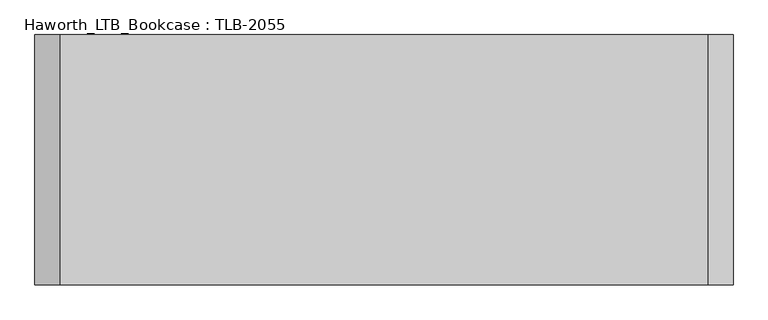
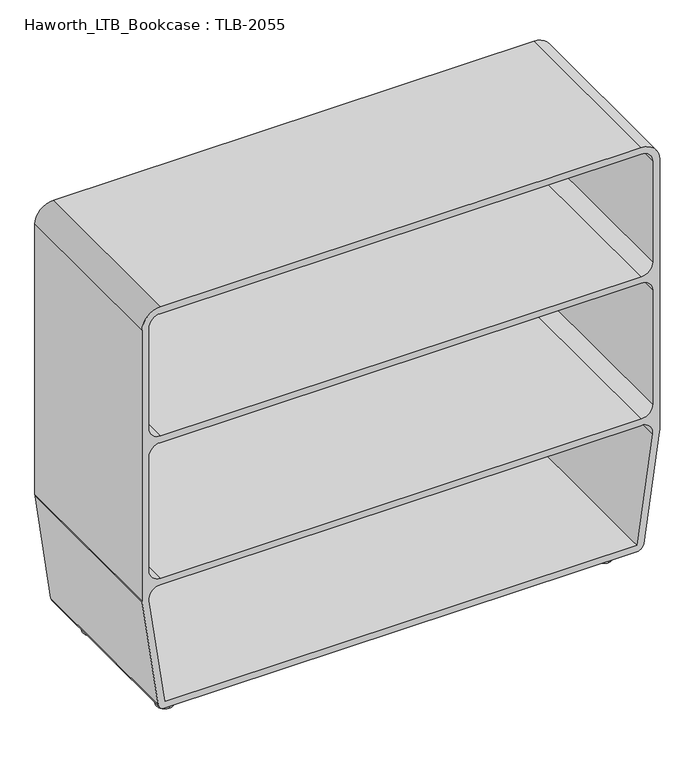
"""IFC4 building model written with IfcOpenShell, lengths in millimetres: furniture geometry, Haworth_LTB_Bookcase : TLB-2055."""

from ifc_helpers import new_model, si_unit, point, frame, frame_2d, origin, place, context, project, spatial, polyline, circle_curve, ellipse_curve, trimmed, segment, composite_curve, outline, extrude, source, transform, mapped, element, save
from ifc_brep_helpers import plane_surface, cylinder_surface, revolved_surface, advanced_brep


def haworth_ltb_bookcase_tlb_2055_cbb1a1f6(model_context):
    return source(origin(), model_context, "Body", "SolidModel", [
        extrude(outline(composite_curve([segment(polyline([(378.5522867, 723.1762804), (1149.1720837, 723.1762804)]), True, "CONTINUOUS"), segment(trimmed(circle_curve(frame_2d((1149.1720837, 672.3762804)), 50.8), [point((1149.1720837, 723.1762804))], [point((1199.9720837, 672.3762804))], False, "CARTESIAN"), True, "CONTINUOUS"), segment(polyline([(1199.9720837, 672.3762804), (1199.9720837, -625.5861298)]), True, "CONTINUOUS"), segment(trimmed(circle_curve(frame_2d((1149.1720837, -625.5861298)), 50.8), [point((1199.9720837, -625.5861298))], [point((1149.1720837, -676.3861298))], False, "CARTESIAN"), True, "CONTINUOUS"), segment(polyline([(1149.1720837, -676.3861298), (378.5522867, -676.3861298)]), True, "CONTINUOUS"), segment(trimmed(circle_curve(frame_2d((378.5522867, -625.5861298)), 50.8), [point((378.5522867, -676.3861298))], [point((371.4822896, -675.8917472))], False, "CARTESIAN"), True, "CONTINUOUS"), segment(polyline([(371.4822896, -675.8917472), (66.3557108, -633.008981)]), True, "CONTINUOUS"), segment(trimmed(circle_curve(frame_2d((69.0000012, -614.1938871)), 19.0000008), [point((66.3557108, -633.008981))], [point((50.0000004, -614.1938871))], False, "CARTESIAN"), True, "CONTINUOUS"), segment(polyline([(50.0000004, -614.1938871), (50.0000004, 660.9840376)]), True, "CONTINUOUS"), segment(trimmed(circle_curve(frame_2d((69.0000012, 660.9840376)), 19.0000008), [point((50.0000004, 660.9840376))], [point((66.3557108, 679.7991315))], False, "CARTESIAN"), True, "CONTINUOUS"), segment(polyline([(66.3557108, 679.7991315), (371.4822896, 722.6818978)]), True, "CONTINUOUS"), segment(trimmed(circle_curve(frame_2d((378.5522867, 672.3762804)), 50.8), [point((371.4822896, 722.6818978))], [point((378.5522867, 723.1762804))], False, "CARTESIAN"), True, "CONTINUOUS")], self_intersect=False), holes=[composite_curve([segment(polyline([(68.9999989, -614.1938504), (371.6028901, -656.7220063)]), True, "CONTINUOUS"), segment(trimmed(circle_curve(frame_2d((375.8055807, -626.8183745)), 30.1975132), [point((371.6028901, -656.7220063))], [point((406.0000002, -626.3861295))], True, "CARTESIAN"), True, "CONTINUOUS"), segment(polyline([(406.0000002, -626.3861295), (406.0000002, 673.17628)]), True, "CONTINUOUS"), segment(trimmed(circle_curve(frame_2d((375.8055807, 673.608525)), 30.1975132), [point((406.0000002, 673.17628))], [point((371.6028901, 703.5121569))], True, "CARTESIAN"), True, "CONTINUOUS"), segment(polyline([(371.6028901, 703.5121569), (68.9999989, 660.9840009), (68.9999989, -614.1938504)]), True, "CONTINUOUS")], self_intersect=False), composite_curve([segment(trimmed(circle_curve(frame_2d((455.9880827, -626.3480504)), 30.9880795), [point((425.0000032, -626.3480504))], [point((455.9880827, -657.3361298))], True, "CARTESIAN"), True, "CONTINUOUS"), segment(polyline([(455.9880827, -657.3361298), (782.4644563, -657.3361297)]), True, "CONTINUOUS"), segment(trimmed(circle_curve(frame_2d((782.4644563, -627.5163329)), 29.8197969), [point((782.4644563, -657.3361297))], [point((812.2628276, -626.3861295))], True, "CARTESIAN"), True, "CONTINUOUS"), segment(polyline([(812.2628276, -626.3861295), (812.2628276, 673.17628)]), True, "CONTINUOUS"), segment(trimmed(circle_curve(frame_2d((782.4644563, 674.3064835)), 29.8197969), [point((812.2628276, 673.17628))], [point((782.4619051, 704.1262803))], True, "CARTESIAN"), True, "CONTINUOUS"), segment(polyline([(782.4619051, 704.1262803), (455.985434, 704.1262803)]), True, "CONTINUOUS"), segment(trimmed(circle_curve(frame_2d((455.9880827, 673.1382009)), 30.9880795), [point((455.985434, 704.1262803))], [point((425.0000032, 673.1382009))], True, "CARTESIAN"), True, "CONTINUOUS"), segment(polyline([(425.0000032, 673.1382009), (425.0000032, -626.3480504)]), True, "CONTINUOUS")], self_intersect=False), composite_curve([segment(trimmed(circle_curve(frame_2d((862.2509101, -626.3480504)), 30.9880795), [point((831.2628306, -626.3480504))], [point((862.2509101, -657.3361298))], True, "CARTESIAN"), True, "CONTINUOUS"), segment(polyline([(862.2509101, -657.3361298), (1149.9658337, -657.3361298)]), True, "CONTINUOUS"), segment(trimmed(circle_curve(frame_2d((1149.9658337, -626.3798798)), 30.95625), [point((1149.9658337, -657.3361298))], [point((1180.9220837, -626.3798798))], True, "CARTESIAN"), True, "CONTINUOUS"), segment(polyline([(1180.9220837, -626.3798798), (1180.9220837, 673.1700304)]), True, "CONTINUOUS"), segment(trimmed(circle_curve(frame_2d((1149.9658337, 673.1700304)), 30.95625), [point((1180.9220837, 673.1700304))], [point((1149.9658337, 704.1262804))], True, "CARTESIAN"), True, "CONTINUOUS"), segment(polyline([(1149.9658337, 704.1262804), (862.2509101, 704.1262804)]), True, "CONTINUOUS"), segment(trimmed(circle_curve(frame_2d((862.2509101, 673.1382009)), 30.9880795), [point((862.2509101, 704.1262804))], [point((831.2628306, 673.1382009))], True, "CARTESIAN"), True, "CONTINUOUS"), segment(polyline([(831.2628306, 673.1382009), (831.2628306, -626.3480504)]), True, "CONTINUOUS")], self_intersect=False)]), frame((0.0, -282.971875, 0.0), z_axis=(0.0, 1.0, 0.0), x_axis=(0.0, 0.0, 1.0)), (0.0, 0.0, 1.0), 501.65),
        extrude(outline(composite_curve([segment(polyline([(44.8699992, 660.9840009), (50.0293742, 660.9840379), (50.0293742, 645.7440881)]), True, "CONTINUOUS"), segment(trimmed(circle_curve(frame_2d((34.7100089, 645.7440881)), 15.3193653), [point((50.0293742, 645.7440881))], [point((34.7100089, 630.4247228))], False, "CARTESIAN"), True, "CONTINUOUS"), segment(polyline([(34.7100089, 630.4247228), (30.2649995, 630.4247228)]), True, "CONTINUOUS"), segment(trimmed(circle_curve(frame_2d((30.2649995, 620.3440987)), 10.0806241), [point((30.2649995, 630.4247228))], [point((20.1843754, 620.3440987))], True, "CARTESIAN"), True, "CONTINUOUS"), segment(polyline([(20.1843754, 620.3440987), (20.1843754, 611.6238734)]), True, "CONTINUOUS"), segment(trimmed(circle_curve(frame_2d((30.2649995, 611.6238734)), 10.0806241), [point((20.1843754, 611.6238734))], [point((30.2649995, 601.5432493))], True, "CARTESIAN"), True, "CONTINUOUS"), segment(polyline([(30.2649995, 601.5432493), (34.7100089, 601.5432493)]), True, "CONTINUOUS"), segment(trimmed(circle_curve(frame_2d((34.7100089, 586.223884)), 15.3193653), [point((34.7100089, 601.5432493))], [point((50.0293742, 586.223884))], False, "CARTESIAN"), True, "CONTINUOUS"), segment(polyline([(50.0293742, 586.223884), (50.0293742, 570.9839343), (44.8699992, 570.9839712), (44.8699992, 586.223884)]), True, "CONTINUOUS"), segment(trimmed(circle_curve(frame_2d((34.7100089, 586.223884)), 10.1599903), [point((44.8699992, 586.223884))], [point((34.7100089, 596.3838743))], True, "CARTESIAN"), True, "CONTINUOUS"), segment(polyline([(34.7100089, 596.3838743), (30.2649995, 596.3838743)]), True, "CONTINUOUS"), segment(trimmed(circle_curve(frame_2d((30.2649995, 611.6238734)), 15.2399991), [point((30.2649995, 596.3838743))], [point((15.0250004, 611.6238734))], False, "CARTESIAN"), True, "CONTINUOUS"), segment(polyline([(15.0250004, 611.6238734), (15.0250004, 620.3440987)]), True, "CONTINUOUS"), segment(trimmed(circle_curve(frame_2d((30.2649995, 620.3440987)), 15.2399991), [point((15.0250004, 620.3440987))], [point((30.2649995, 635.5840978))], False, "CARTESIAN"), True, "CONTINUOUS"), segment(polyline([(30.2649995, 635.5840978), (34.7100089, 635.5840978)]), True, "CONTINUOUS"), segment(trimmed(circle_curve(frame_2d((34.7100089, 645.7440881)), 10.1599903), [point((34.7100089, 635.5840978))], [point((44.8699992, 645.7440881))], True, "CARTESIAN"), True, "CONTINUOUS"), segment(polyline([(44.8699992, 645.7440881), (44.8699992, 660.9840009)]), True, "CONTINUOUS")], self_intersect=False)), frame((0.0, 114.6577718, 0.0), z_axis=(0.0, 1.0, 0.0), x_axis=(0.0, 0.0, 1.0)), (0.0, 0.0, 1.0), 50.0000004),
        advanced_brep(
        [(615.9839861, 134.9015284, 7.8133431), (615.9839861, 144.4265284, 7.8133431), (615.9839861, 147.6605515, 7.8133431), (615.9839861, 131.6675052, 7.8133431), (615.9839861, 161.6029054, 4.0775), (615.9839861, 117.7251513, 4.0775), (615.9839861, 161.1923542, 0.0), (615.9839861, 118.1357026, 0.0), (615.9839861, 139.6640284, 0.0), (615.9839861, 139.6640284, 50.0000004), (615.9839861, 144.4265284, 50.0000004), (615.9839861, 134.9015284, 50.0000004)],
        [
            (0, 1, circle_curve(frame((615.9839861, 139.6640284, 7.8133431), z_axis=(0.0, 0.0, -1.0), x_axis=(0.0, 1.0, 0.0)), 4.7625)),
            (1, 2),
            (2, 3, circle_curve(frame((615.9839861, 139.6640284, 7.8133431), z_axis=(0.0, 0.0, 1.0), x_axis=(0.0, 1.0, 0.0)), 7.9965232)),
            (3, 0),
            (1, 0, circle_curve(frame((615.9839861, 139.6640284, 7.8133431), z_axis=(0.0, 0.0, -1.0), x_axis=(0.0, 1.0, 0.0)), 4.7625)),
            (3, 2, circle_curve(frame((615.9839861, 139.6640284, 7.8133431), z_axis=(0.0, 0.0, 1.0), x_axis=(0.0, 1.0, 0.0)), 7.9965232)),
            (2, 4),
            (4, 5, circle_curve(frame((615.9839861, 139.6640284, 4.0775), z_axis=(0.0, 0.0, 1.0), x_axis=(0.0, 1.0, 0.0)), 21.9388771)),
            (5, 3),
            (5, 4, circle_curve(frame((615.9839861, 139.6640284, 4.0775), z_axis=(0.0, 0.0, 1.0), x_axis=(0.0, 1.0, 0.0)), 21.9388771)),
            (4, 6, circle_curve(frame((615.9839861, 161.0655822, 2.0721829), z_axis=(-1.0, 0.0, 0.0), x_axis=(0.0, -1.0, 0.0)), 2.0760571)),
            (6, 7, circle_curve(frame((615.9839861, 139.6640284, 0.0), z_axis=(0.0, 0.0, 1.0), x_axis=(0.0, 1.0, 0.0)), 21.5283258)),
            (7, 5, circle_curve(frame((615.9839861, 118.2624745, 2.0721829), z_axis=(-1.0, 0.0, 0.0), x_axis=(0.0, 1.0, 0.0)), 2.0760571)),
            (7, 6, circle_curve(frame((615.9839861, 139.6640284, 0.0), z_axis=(0.0, 0.0, 1.0), x_axis=(0.0, 1.0, 0.0)), 21.5283258)),
            (6, 8),
            (8, 7),
            (9, 10),
            (10, 11, circle_curve(frame((615.9839861, 139.6640284, 50.0000004), z_axis=(0.0, 0.0, 1.0), x_axis=(0.0, 1.0, 0.0)), 4.7625)),
            (11, 9),
            (11, 10, circle_curve(frame((615.9839861, 139.6640284, 50.0000004), z_axis=(0.0, 0.0, 1.0), x_axis=(0.0, 1.0, 0.0)), 4.7625)),
            (10, 1),
            (0, 11),
        ],
        [
            plane_surface(frame((615.9839861, 139.6640284, 7.8133431), z_axis=(0.0, 0.0, 1.0), x_axis=(0.0, 1.0, 0.0))),
            revolved_surface(polyline([(615.9839861, 161.6029054, 4.0775), (615.9839861, 147.6605515, 7.8133431)]), (615.9839861, 139.6640284, 0.0), (0.0, 0.0, 1.0)),
            revolved_surface(trimmed(ellipse_curve(frame((615.9839861, 161.0655822, 2.0721829), z_axis=(1.0, 0.0, 0.0), x_axis=(0.0, -1.0, 0.0)), 2.0760571, 2.0760571), [point((615.9839861, 161.1923542, 0.0))], [point((615.9839861, 161.6029054, 4.0775))], True, "CARTESIAN"), (615.9839861, 139.6640284, 0.0), (0.0, 0.0, 1.0)),
            plane_surface(frame((615.9839861, 139.6640284, 0.0), z_axis=(0.0, 0.0, -1.0), x_axis=(0.0, 1.0, 0.0))),
            plane_surface(frame((615.9839861, 139.6640284, 50.0000004), z_axis=(0.0, 0.0, 1.0), x_axis=(0.0, 1.0, 0.0))),
            cylinder_surface(frame((615.9839861, 139.6640284, 0.0), z_axis=(0.0, 0.0, 1.0), x_axis=(0.0, 1.0, 0.0)), 4.7625),
        ],
        [
            (0, [[1, 2, 3, 4]]),
            (0, [[5, -4, 6, -2]]),
            (1, [[-3, 7, 8, 9]]),
            (1, [[-6, -9, 10, -7]]),
            (2, [[-8, 11, 12, 13]]),
            (2, [[-10, -13, 14, -11]]),
            (3, [[-12, 15, 16]]),
            (3, [[-14, -16, -15]]),
            (4, [[17, 18, 19]]),
            (4, [[-19, 20, -17]]),
            (5, [[-18, 21, -1, 22]]),
            (5, [[-20, -22, -5, -21]]),
        ],
    ),
        extrude(outline(composite_curve([segment(polyline([(44.8699992, 660.9840009), (50.0293742, 660.9840379), (50.0293742, 645.7440881)]), True, "CONTINUOUS"), segment(trimmed(circle_curve(frame_2d((34.7100089, 645.7440881)), 15.3193653), [point((50.0293742, 645.7440881))], [point((34.7100089, 630.4247228))], False, "CARTESIAN"), True, "CONTINUOUS"), segment(polyline([(34.7100089, 630.4247228), (30.2649995, 630.4247228)]), True, "CONTINUOUS"), segment(trimmed(circle_curve(frame_2d((30.2649995, 620.3440987)), 10.0806241), [point((30.2649995, 630.4247228))], [point((20.1843754, 620.3440987))], True, "CARTESIAN"), True, "CONTINUOUS"), segment(polyline([(20.1843754, 620.3440987), (20.1843754, 611.6238734)]), True, "CONTINUOUS"), segment(trimmed(circle_curve(frame_2d((30.2649995, 611.6238734)), 10.0806241), [point((20.1843754, 611.6238734))], [point((30.2649995, 601.5432493))], True, "CARTESIAN"), True, "CONTINUOUS"), segment(polyline([(30.2649995, 601.5432493), (34.7100089, 601.5432493)]), True, "CONTINUOUS"), segment(trimmed(circle_curve(frame_2d((34.7100089, 586.223884)), 15.3193653), [point((34.7100089, 601.5432493))], [point((50.0293742, 586.223884))], False, "CARTESIAN"), True, "CONTINUOUS"), segment(polyline([(50.0293742, 586.223884), (50.0293742, 570.9839343), (44.8699992, 570.9839712), (44.8699992, 586.223884)]), True, "CONTINUOUS"), segment(trimmed(circle_curve(frame_2d((34.7100089, 586.223884)), 10.1599903), [point((44.8699992, 586.223884))], [point((34.7100089, 596.3838743))], True, "CARTESIAN"), True, "CONTINUOUS"), segment(polyline([(34.7100089, 596.3838743), (30.2649995, 596.3838743)]), True, "CONTINUOUS"), segment(trimmed(circle_curve(frame_2d((30.2649995, 611.6238734)), 15.2399991), [point((30.2649995, 596.3838743))], [point((15.0250004, 611.6238734))], False, "CARTESIAN"), True, "CONTINUOUS"), segment(polyline([(15.0250004, 611.6238734), (15.0250004, 620.3440987)]), True, "CONTINUOUS"), segment(trimmed(circle_curve(frame_2d((30.2649995, 620.3440987)), 15.2399991), [point((15.0250004, 620.3440987))], [point((30.2649995, 635.5840978))], False, "CARTESIAN"), True, "CONTINUOUS"), segment(polyline([(30.2649995, 635.5840978), (34.7100089, 635.5840978)]), True, "CONTINUOUS"), segment(trimmed(circle_curve(frame_2d((34.7100089, 645.7440881)), 10.1599903), [point((34.7100089, 635.5840978))], [point((44.8699992, 645.7440881))], True, "CARTESIAN"), True, "CONTINUOUS"), segment(polyline([(44.8699992, 645.7440881), (44.8699992, 660.9840009)]), True, "CONTINUOUS")], self_intersect=False)), frame((0.0, -228.9515221, 0.0), z_axis=(0.0, 1.0, 0.0), x_axis=(0.0, 0.0, 1.0)), (0.0, 0.0, 1.0), 50.0000004),
        advanced_brep(
        [(615.9839861, -195.9612552, 7.8133431), (615.9839861, -211.9543015, 7.8133431), (615.9839861, -208.7202784, 7.8133431), (615.9839861, -199.1952784, 7.8133431), (615.9839861, -182.0189013, 4.0775), (615.9839861, -225.8966554, 4.0775), (615.9839861, -182.4294526, 0.0), (615.9839861, -225.4861042, 0.0), (615.9839861, -203.9577784, 0.0), (615.9839861, -199.1952784, 50.0000004), (615.9839861, -208.7202784, 50.0000004), (615.9839861, -203.9577784, 50.0000004)],
        [
            (0, 1, circle_curve(frame((615.9839861, -203.9577784, 7.8133431), z_axis=(0.0, 0.0, 1.0), x_axis=(0.0, -1.0, 0.0)), 7.9965232)),
            (1, 2),
            (2, 3, circle_curve(frame((615.9839861, -203.9577784, 7.8133431), z_axis=(0.0, 0.0, -1.0), x_axis=(0.0, -1.0, 0.0)), 4.7625)),
            (3, 0),
            (1, 0, circle_curve(frame((615.9839861, -203.9577784, 7.8133431), z_axis=(0.0, 0.0, 1.0), x_axis=(0.0, -1.0, 0.0)), 7.9965232)),
            (3, 2, circle_curve(frame((615.9839861, -203.9577784, 7.8133431), z_axis=(0.0, 0.0, -1.0), x_axis=(0.0, -1.0, 0.0)), 4.7625)),
            (4, 5, circle_curve(frame((615.9839861, -203.9577784, 4.0775), z_axis=(0.0, 0.0, 1.0), x_axis=(0.0, -1.0, 0.0)), 21.9388771)),
            (5, 1),
            (0, 4),
            (5, 4, circle_curve(frame((615.9839861, -203.9577784, 4.0775), z_axis=(0.0, 0.0, 1.0), x_axis=(0.0, -1.0, 0.0)), 21.9388771)),
            (6, 7, circle_curve(frame((615.9839861, -203.9577784, 0.0), z_axis=(0.0, 0.0, 1.0), x_axis=(0.0, -1.0, 0.0)), 21.5283258)),
            (7, 5, circle_curve(frame((615.9839861, -225.3593322, 2.0721829), z_axis=(-1.0, 0.0, 0.0), x_axis=(0.0, 1.0, 0.0)), 2.0760571)),
            (4, 6, circle_curve(frame((615.9839861, -182.5562245, 2.0721829), z_axis=(-1.0, 0.0, 0.0), x_axis=(0.0, -1.0, 0.0)), 2.0760571)),
            (7, 6, circle_curve(frame((615.9839861, -203.9577784, 0.0), z_axis=(0.0, 0.0, 1.0), x_axis=(0.0, -1.0, 0.0)), 21.5283258)),
            (8, 7),
            (6, 8),
            (9, 10, circle_curve(frame((615.9839861, -203.9577784, 50.0000004), z_axis=(0.0, 0.0, 1.0), x_axis=(0.0, -1.0, 0.0)), 4.7625)),
            (10, 11),
            (11, 9),
            (10, 9, circle_curve(frame((615.9839861, -203.9577784, 50.0000004), z_axis=(0.0, 0.0, 1.0), x_axis=(0.0, -1.0, 0.0)), 4.7625)),
            (2, 10),
            (9, 3),
        ],
        [
            plane_surface(frame((615.9839861, -203.9577784, 7.8133431), z_axis=(0.0, 0.0, 1.0), x_axis=(0.0, -1.0, 0.0))),
            revolved_surface(polyline([(615.9839861, -211.9543015, 7.8133431), (615.9839861, -225.8966554, 4.0775)]), (615.9839861, -203.9577784, 0.0), (0.0, 0.0, -1.0)),
            revolved_surface(trimmed(ellipse_curve(frame((615.9839861, -225.3593322, 2.0721829), z_axis=(1.0, 0.0, 0.0), x_axis=(0.0, 1.0, 0.0)), 2.0760571, 2.0760571), [point((615.9839861, -225.8966554, 4.0775))], [point((615.9839861, -225.4861042, 0.0))], True, "CARTESIAN"), (615.9839861, -203.9577784, 0.0), (0.0, 0.0, -1.0)),
            plane_surface(frame((615.9839861, -203.9577784, 0.0), z_axis=(0.0, 0.0, -1.0), x_axis=(0.0, -1.0, 0.0))),
            plane_surface(frame((615.9839861, -203.9577784, 50.0000004), z_axis=(0.0, 0.0, 1.0), x_axis=(0.0, -1.0, 0.0))),
            cylinder_surface(frame((615.9839861, -203.9577784, 0.0), z_axis=(0.0, 0.0, -1.0), x_axis=(0.0, -1.0, 0.0)), 4.7625),
        ],
        [
            (0, [[1, 2, 3, 4]]),
            (0, [[5, -4, 6, -2]]),
            (1, [[7, 8, -1, 9]]),
            (1, [[10, -9, -5, -8]]),
            (2, [[11, 12, -7, 13]]),
            (2, [[14, -13, -10, -12]]),
            (3, [[15, -11, 16]]),
            (3, [[-16, -14, -15]]),
            (4, [[17, 18, 19]]),
            (4, [[20, -19, -18]]),
            (5, [[-3, 21, -17, 22]]),
            (5, [[-6, -22, -20, -21]]),
        ],
    ),
        extrude(outline(composite_curve([segment(polyline([(44.8699992, -614.1938504), (44.8699992, -598.9539376)]), True, "CONTINUOUS"), segment(trimmed(circle_curve(frame_2d((34.7100089, -598.9539376)), 10.1599903), [point((44.8699992, -598.9539376))], [point((34.7100089, -588.7939473))], True, "CARTESIAN"), True, "CONTINUOUS"), segment(polyline([(34.7100089, -588.7939473), (30.2649995, -588.7939473)]), True, "CONTINUOUS"), segment(trimmed(circle_curve(frame_2d((30.2649995, -573.5539482)), 15.2399991), [point((30.2649995, -588.7939473))], [point((15.0250004, -573.5539482))], False, "CARTESIAN"), True, "CONTINUOUS"), segment(polyline([(15.0250004, -573.5539482), (15.0250004, -564.8337229)]), True, "CONTINUOUS"), segment(trimmed(circle_curve(frame_2d((30.2649995, -564.8337229)), 15.2399991), [point((15.0250004, -564.8337229))], [point((30.2649995, -549.5937238))], False, "CARTESIAN"), True, "CONTINUOUS"), segment(polyline([(30.2649995, -549.5937238), (34.7100089, -549.5937238)]), True, "CONTINUOUS"), segment(trimmed(circle_curve(frame_2d((34.7100089, -539.4337335)), 10.1599903), [point((34.7100089, -549.5937238))], [point((44.8699992, -539.4337335))], True, "CARTESIAN"), True, "CONTINUOUS"), segment(polyline([(44.8699992, -539.4337335), (44.8699992, -524.1938209), (50.0293742, -524.1937839), (50.0293742, -539.4337335)]), True, "CONTINUOUS"), segment(trimmed(circle_curve(frame_2d((34.7100089, -539.4337335)), 15.3193653), [point((50.0293742, -539.4337335))], [point((34.7100089, -554.7530988))], False, "CARTESIAN"), True, "CONTINUOUS"), segment(polyline([(34.7100089, -554.7530988), (30.2649995, -554.7530988)]), True, "CONTINUOUS"), segment(trimmed(circle_curve(frame_2d((30.2649995, -564.8337229)), 10.0806241), [point((30.2649995, -554.7530988))], [point((20.1843754, -564.8337229))], True, "CARTESIAN"), True, "CONTINUOUS"), segment(polyline([(20.1843754, -564.8337229), (20.1843754, -573.5539482)]), True, "CONTINUOUS"), segment(trimmed(circle_curve(frame_2d((30.2649995, -573.5539482)), 10.0806241), [point((20.1843754, -573.5539482))], [point((30.2649995, -583.6345723))], True, "CARTESIAN"), True, "CONTINUOUS"), segment(polyline([(30.2649995, -583.6345723), (34.7100089, -583.6345723)]), True, "CONTINUOUS"), segment(trimmed(circle_curve(frame_2d((34.7100089, -598.9539376)), 15.3193653), [point((34.7100089, -583.6345723))], [point((50.0293742, -598.9539376))], False, "CARTESIAN"), True, "CONTINUOUS"), segment(polyline([(50.0293742, -598.9539376), (50.0293742, -614.1938873), (44.8699992, -614.1938504)]), True, "CONTINUOUS")], self_intersect=False)), frame((0.0, 114.6577718, 0.0), z_axis=(0.0, 1.0, 0.0), x_axis=(0.0, 0.0, 1.0)), (0.0, 0.0, 1.0), 50.0000004),
        advanced_brep(
        [(-569.1938355, 131.6675052, 7.8133431), (-569.1938355, 147.6605515, 7.8133431), (-569.1938355, 144.4265284, 7.8133431), (-569.1938355, 134.9015284, 7.8133431), (-569.1938355, 117.7251513, 4.0775), (-569.1938355, 161.6029054, 4.0775), (-569.1938355, 118.1357026, 0.0), (-569.1938355, 161.1923542, 0.0), (-569.1938355, 139.6640284, 0.0), (-569.1938355, 134.9015284, 50.0000004), (-569.1938355, 144.4265284, 50.0000004), (-569.1938355, 139.6640284, 50.0000004)],
        [
            (0, 1, circle_curve(frame((-569.1938355, 139.6640284, 7.8133431), z_axis=(0.0, 0.0, 1.0), x_axis=(0.0, 1.0, 0.0)), 7.9965232)),
            (1, 2),
            (2, 3, circle_curve(frame((-569.1938355, 139.6640284, 7.8133431), z_axis=(0.0, 0.0, -1.0), x_axis=(0.0, 1.0, 0.0)), 4.7625)),
            (3, 0),
            (1, 0, circle_curve(frame((-569.1938355, 139.6640284, 7.8133431), z_axis=(0.0, 0.0, 1.0), x_axis=(0.0, 1.0, 0.0)), 7.9965232)),
            (3, 2, circle_curve(frame((-569.1938355, 139.6640284, 7.8133431), z_axis=(0.0, 0.0, -1.0), x_axis=(0.0, 1.0, 0.0)), 4.7625)),
            (4, 5, circle_curve(frame((-569.1938355, 139.6640284, 4.0775), z_axis=(0.0, 0.0, 1.0), x_axis=(0.0, 1.0, 0.0)), 21.9388771)),
            (5, 1),
            (0, 4),
            (5, 4, circle_curve(frame((-569.1938355, 139.6640284, 4.0775), z_axis=(0.0, 0.0, 1.0), x_axis=(0.0, 1.0, 0.0)), 21.9388771)),
            (6, 7, circle_curve(frame((-569.1938355, 139.6640284, 0.0), z_axis=(0.0, 0.0, 1.0), x_axis=(0.0, 1.0, 0.0)), 21.5283258)),
            (7, 5, circle_curve(frame((-569.1938355, 161.0655822, 2.0721829), z_axis=(1.0, 0.0, 0.0), x_axis=(0.0, -1.0, 0.0)), 2.0760571)),
            (4, 6, circle_curve(frame((-569.1938355, 118.2624745, 2.0721829), z_axis=(1.0, 0.0, 0.0), x_axis=(0.0, 1.0, 0.0)), 2.0760571)),
            (7, 6, circle_curve(frame((-569.1938355, 139.6640284, 0.0), z_axis=(0.0, 0.0, 1.0), x_axis=(0.0, 1.0, 0.0)), 21.5283258)),
            (8, 7),
            (6, 8),
            (9, 10, circle_curve(frame((-569.1938355, 139.6640284, 50.0000004), z_axis=(0.0, 0.0, 1.0), x_axis=(0.0, 1.0, 0.0)), 4.7625)),
            (10, 11),
            (11, 9),
            (10, 9, circle_curve(frame((-569.1938355, 139.6640284, 50.0000004), z_axis=(0.0, 0.0, 1.0), x_axis=(0.0, 1.0, 0.0)), 4.7625)),
            (2, 10),
            (9, 3),
        ],
        [
            plane_surface(frame((-569.1938355, 139.6640284, 7.8133431), z_axis=(0.0, 0.0, 1.0), x_axis=(0.0, 1.0, 0.0))),
            revolved_surface(polyline([(-569.1938355, 147.6605515, 7.8133431), (-569.1938355, 161.6029054, 4.0775)]), (-569.1938355, 139.6640284, 0.0), (0.0, 0.0, -1.0)),
            revolved_surface(trimmed(ellipse_curve(frame((-569.1938355, 161.0655822, 2.0721829), z_axis=(-1.0, 0.0, 0.0), x_axis=(0.0, -1.0, 0.0)), 2.0760571, 2.0760571), [point((-569.1938355, 161.6029054, 4.0775))], [point((-569.1938355, 161.1923542, 0.0))], True, "CARTESIAN"), (-569.1938355, 139.6640284, 0.0), (0.0, 0.0, -1.0)),
            plane_surface(frame((-569.1938355, 139.6640284, 0.0), z_axis=(0.0, 0.0, -1.0), x_axis=(0.0, 1.0, 0.0))),
            plane_surface(frame((-569.1938355, 139.6640284, 50.0000004), z_axis=(0.0, 0.0, 1.0), x_axis=(0.0, 1.0, 0.0))),
            cylinder_surface(frame((-569.1938355, 139.6640284, 0.0), z_axis=(0.0, 0.0, -1.0), x_axis=(0.0, 1.0, 0.0)), 4.7625),
        ],
        [
            (0, [[1, 2, 3, 4]]),
            (0, [[5, -4, 6, -2]]),
            (1, [[7, 8, -1, 9]]),
            (1, [[10, -9, -5, -8]]),
            (2, [[11, 12, -7, 13]]),
            (2, [[14, -13, -10, -12]]),
            (3, [[15, -11, 16]]),
            (3, [[-16, -14, -15]]),
            (4, [[17, 18, 19]]),
            (4, [[20, -19, -18]]),
            (5, [[-3, 21, -17, 22]]),
            (5, [[-6, -22, -20, -21]]),
        ],
    ),
        extrude(outline(composite_curve([segment(polyline([(44.8699992, -614.1938504), (44.8699992, -598.9539376)]), True, "CONTINUOUS"), segment(trimmed(circle_curve(frame_2d((34.7100089, -598.9539376)), 10.1599903), [point((44.8699992, -598.9539376))], [point((34.7100089, -588.7939473))], True, "CARTESIAN"), True, "CONTINUOUS"), segment(polyline([(34.7100089, -588.7939473), (30.2649995, -588.7939473)]), True, "CONTINUOUS"), segment(trimmed(circle_curve(frame_2d((30.2649995, -573.5539482)), 15.2399991), [point((30.2649995, -588.7939473))], [point((15.0250004, -573.5539482))], False, "CARTESIAN"), True, "CONTINUOUS"), segment(polyline([(15.0250004, -573.5539482), (15.0250004, -564.8337229)]), True, "CONTINUOUS"), segment(trimmed(circle_curve(frame_2d((30.2649995, -564.8337229)), 15.2399991), [point((15.0250004, -564.8337229))], [point((30.2649995, -549.5937238))], False, "CARTESIAN"), True, "CONTINUOUS"), segment(polyline([(30.2649995, -549.5937238), (34.7100089, -549.5937238)]), True, "CONTINUOUS"), segment(trimmed(circle_curve(frame_2d((34.7100089, -539.4337335)), 10.1599903), [point((34.7100089, -549.5937238))], [point((44.8699992, -539.4337335))], True, "CARTESIAN"), True, "CONTINUOUS"), segment(polyline([(44.8699992, -539.4337335), (44.8699992, -524.1938207), (50.0293742, -524.1937837), (50.0293742, -539.4337335)]), True, "CONTINUOUS"), segment(trimmed(circle_curve(frame_2d((34.7100089, -539.4337335)), 15.3193653), [point((50.0293742, -539.4337335))], [point((34.7100089, -554.7530988))], False, "CARTESIAN"), True, "CONTINUOUS"), segment(polyline([(34.7100089, -554.7530988), (30.2649995, -554.7530988)]), True, "CONTINUOUS"), segment(trimmed(circle_curve(frame_2d((30.2649995, -564.8337229)), 10.0806241), [point((30.2649995, -554.7530988))], [point((20.1843754, -564.8337229))], True, "CARTESIAN"), True, "CONTINUOUS"), segment(polyline([(20.1843754, -564.8337229), (20.1843754, -573.5539482)]), True, "CONTINUOUS"), segment(trimmed(circle_curve(frame_2d((30.2649995, -573.5539482)), 10.0806241), [point((20.1843754, -573.5539482))], [point((30.2649995, -583.6345723))], True, "CARTESIAN"), True, "CONTINUOUS"), segment(polyline([(30.2649995, -583.6345723), (34.7100089, -583.6345723)]), True, "CONTINUOUS"), segment(trimmed(circle_curve(frame_2d((34.7100089, -598.9539376)), 15.3193653), [point((34.7100089, -583.6345723))], [point((50.0293742, -598.9539376))], False, "CARTESIAN"), True, "CONTINUOUS"), segment(polyline([(50.0293742, -598.9539376), (50.0293742, -614.1938873), (44.8699992, -614.1938504)]), True, "CONTINUOUS")], self_intersect=False)), frame((0.0, -228.9515221, 0.0), z_axis=(0.0, 1.0, 0.0), x_axis=(0.0, 0.0, 1.0)), (0.0, 0.0, 1.0), 50.0000004),
        advanced_brep(
        [(-569.1938355, -199.1952784, 7.8133431), (-569.1938355, -208.7202784, 7.8133431), (-569.1938355, -211.9543015, 7.8133431), (-569.1938355, -195.9612552, 7.8133431), (-569.1938355, -225.8966554, 4.0775), (-569.1938355, -182.0189013, 4.0775), (-569.1938355, -225.4861042, 0.0), (-569.1938355, -182.4294526, 0.0), (-569.1938355, -203.9577784, 0.0), (-569.1938355, -203.9577784, 50.0000004), (-569.1938355, -208.7202784, 50.0000004), (-569.1938355, -199.1952784, 50.0000004)],
        [
            (0, 1, circle_curve(frame((-569.1938355, -203.9577784, 7.8133431), z_axis=(0.0, 0.0, -1.0), x_axis=(0.0, -1.0, 0.0)), 4.7625)),
            (1, 2),
            (2, 3, circle_curve(frame((-569.1938355, -203.9577784, 7.8133431), z_axis=(0.0, 0.0, 1.0), x_axis=(0.0, -1.0, 0.0)), 7.9965232)),
            (3, 0),
            (1, 0, circle_curve(frame((-569.1938355, -203.9577784, 7.8133431), z_axis=(0.0, 0.0, -1.0), x_axis=(0.0, -1.0, 0.0)), 4.7625)),
            (3, 2, circle_curve(frame((-569.1938355, -203.9577784, 7.8133431), z_axis=(0.0, 0.0, 1.0), x_axis=(0.0, -1.0, 0.0)), 7.9965232)),
            (2, 4),
            (4, 5, circle_curve(frame((-569.1938355, -203.9577784, 4.0775), z_axis=(0.0, 0.0, 1.0), x_axis=(0.0, -1.0, 0.0)), 21.9388771)),
            (5, 3),
            (5, 4, circle_curve(frame((-569.1938355, -203.9577784, 4.0775), z_axis=(0.0, 0.0, 1.0), x_axis=(0.0, -1.0, 0.0)), 21.9388771)),
            (4, 6, circle_curve(frame((-569.1938355, -225.3593322, 2.0721829), z_axis=(1.0, 0.0, 0.0), x_axis=(0.0, 1.0, 0.0)), 2.0760571)),
            (6, 7, circle_curve(frame((-569.1938355, -203.9577784, 0.0), z_axis=(0.0, 0.0, 1.0), x_axis=(0.0, -1.0, 0.0)), 21.5283258)),
            (7, 5, circle_curve(frame((-569.1938355, -182.5562245, 2.0721829), z_axis=(1.0, 0.0, 0.0), x_axis=(0.0, -1.0, 0.0)), 2.0760571)),
            (7, 6, circle_curve(frame((-569.1938355, -203.9577784, 0.0), z_axis=(0.0, 0.0, 1.0), x_axis=(0.0, -1.0, 0.0)), 21.5283258)),
            (6, 8),
            (8, 7),
            (9, 10),
            (10, 11, circle_curve(frame((-569.1938355, -203.9577784, 50.0000004), z_axis=(0.0, 0.0, 1.0), x_axis=(0.0, -1.0, 0.0)), 4.7625)),
            (11, 9),
            (11, 10, circle_curve(frame((-569.1938355, -203.9577784, 50.0000004), z_axis=(0.0, 0.0, 1.0), x_axis=(0.0, -1.0, 0.0)), 4.7625)),
            (10, 1),
            (0, 11),
        ],
        [
            plane_surface(frame((-569.1938355, -203.9577784, 7.8133431), z_axis=(0.0, 0.0, 1.0), x_axis=(0.0, -1.0, 0.0))),
            revolved_surface(polyline([(-569.1938355, -225.8966554, 4.0775), (-569.1938355, -211.9543015, 7.8133431)]), (-569.1938355, -203.9577784, 0.0), (0.0, 0.0, 1.0)),
            revolved_surface(trimmed(ellipse_curve(frame((-569.1938355, -225.3593322, 2.0721829), z_axis=(-1.0, 0.0, 0.0), x_axis=(0.0, 1.0, 0.0)), 2.0760571, 2.0760571), [point((-569.1938355, -225.4861042, 0.0))], [point((-569.1938355, -225.8966554, 4.0775))], True, "CARTESIAN"), (-569.1938355, -203.9577784, 0.0), (0.0, 0.0, 1.0)),
            plane_surface(frame((-569.1938355, -203.9577784, 0.0), z_axis=(0.0, 0.0, -1.0), x_axis=(0.0, -1.0, 0.0))),
            plane_surface(frame((-569.1938355, -203.9577784, 50.0000004), z_axis=(0.0, 0.0, 1.0), x_axis=(0.0, -1.0, 0.0))),
            cylinder_surface(frame((-569.1938355, -203.9577784, 0.0), z_axis=(0.0, 0.0, 1.0), x_axis=(0.0, -1.0, 0.0)), 4.7625),
        ],
        [
            (0, [[1, 2, 3, 4]]),
            (0, [[5, -4, 6, -2]]),
            (1, [[-3, 7, 8, 9]]),
            (1, [[-6, -9, 10, -7]]),
            (2, [[-8, 11, 12, 13]]),
            (2, [[-10, -13, 14, -11]]),
            (3, [[-12, 15, 16]]),
            (3, [[-14, -16, -15]]),
            (4, [[17, 18, 19]]),
            (4, [[-19, 20, -17]]),
            (5, [[-18, 21, -1, 22]]),
            (5, [[-20, -22, -5, -21]]),
        ],
    ),
    ])


if __name__ == "__main__":
    model = new_model("IFC4")
    model_context = context("Model", 3, world=origin())
    ifc_project = project(units=[si_unit("LENGTHUNIT", "METRE", prefix="MILLI")], contexts=[model_context])
    site = spatial("IfcSite", under=ifc_project)
    building = spatial("IfcBuilding", under=site)
    placement = place(None, origin())
    haworth_ltb_bookcase_tlb_2055_shape = haworth_ltb_bookcase_tlb_2055_cbb1a1f6(model_context)
    element("IfcFurniture", 1, ObjectType="Haworth_LTB_Bookcase : TLB-2055", at=placement, inside=building, context=model_context, shape_type="MappedRepresentation", body=[
        mapped(haworth_ltb_bookcase_tlb_2055_shape, transform((0.0, 0.0, 0.0), x_axis=(1.0, 0.0, 0.0), y_axis=(0.0, 1.0, 0.0), z_axis=(0.0, 0.0, 1.0))),
    ])
    save(model, "model.ifc")
